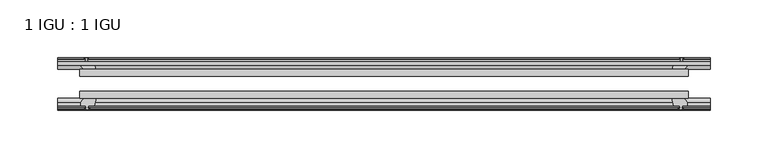
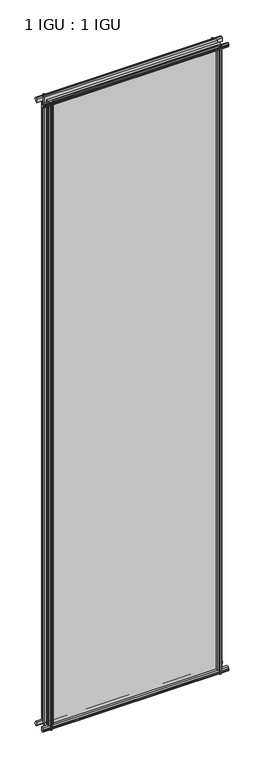
"""IFC4 building model written with IfcOpenShell, lengths in millimetres: plate geometry, 1 IGU : 1 IGU."""

from ifc_helpers import new_model, si_unit, frame, origin, place, context, project, spatial, polyline, outline, extrude, source, transform, mapped, element, save


def plate_1_igu_1_igu_adc11967(model_context):
    return source(origin(), model_context, "Body", "SweptSolid", [
        extrude(outline(polyline([(-263.5317469, -38.6468937), (263.5317469, -38.6468937), (263.5317469, -44.9460938), (-263.5317469, -44.9460938), (-263.5317469, -38.6468937)])), frame((0.0, 0.0, -12.7), z_axis=(0.0, 0.0, 1.0), x_axis=(1.0, 0.0, 0.0)), (0.0, 0.0, 1.0), 2019.2872996),
        extrude(outline(polyline([(-263.5317469, -19.5460937), (263.5317469, -19.5460937), (263.5317469, -25.8960938), (-263.5317469, -25.8960938), (-263.5317469, -19.5460937)])), frame((0.0, 0.0, -12.7), z_axis=(0.0, 0.0, 1.0), x_axis=(1.0, 0.0, 0.0)), (0.0, 0.0, 1.0), 2019.2872996),
        extrude(outline(polyline([(-44.9460937, 1.7177181), (-44.9460937, -9.1036578), (-48.3496937, -11.938), (-51.2960937, -11.938), (-51.2960937, -7.493), (-53.6762907, -7.112), (-53.2163575, -8.5275291), (-54.0175717, -8.5275291), (-54.7250937, -6.35), (-54.0175717, -4.1724709), (-53.2163575, -4.1724709), (-53.6762907, -5.588), (-51.2960937, -5.207), (-51.2960937, 0.0), (-44.9460937, 1.7177181)])), frame((-282.5817469, 0.0, 0.0), z_axis=(1.0, 0.0, 0.0), x_axis=(0.0, 1.0, 0.0)), (0.0, 0.0, 1.0), 565.1634937),
        extrude(outline(polyline([(-13.1960937, -12.4587), (-16.1424937, -12.4587), (-19.5460937, -9.6243578), (-19.5460937, 1.1970181), (-13.1960937, -0.5207), (-13.1960937, -5.7277), (-10.8158968, -6.1087), (-11.27583, -4.6931709), (-10.4746158, -4.6931709), (-9.7670937, -6.8707), (-10.4746158, -9.0482291), (-11.27583, -9.0482291), (-10.8158968, -7.6327), (-13.1960937, -8.0137), (-13.1960937, -12.4587)])), frame((-282.5817469, 0.0, 0.0), z_axis=(1.0, 0.0, 0.0), x_axis=(0.0, 1.0, 0.0)), (0.0, 0.0, 1.0), 565.1634937),
        extrude(outline(polyline([(-51.2960937, 2005.8252996), (-48.3496937, 2005.8252996), (-44.9460937, 2002.9909574), (-44.9460937, 1992.1695815), (-51.2960937, 1993.8872996), (-51.2960937, 1999.0942996), (-53.6762907, 1999.4752996), (-53.2163575, 1998.0597705), (-54.0175717, 1998.0597705), (-54.7250937, 2000.2372996), (-54.0175717, 2002.4148286), (-53.2163575, 2002.4148286), (-53.6762907, 2000.9992996), (-51.2960937, 2001.3802996), (-51.2960937, 2005.8252996)])), frame((-282.5817469, 0.0, 0.0), z_axis=(1.0, 0.0, 0.0), x_axis=(0.0, 1.0, 0.0)), (0.0, 0.0, 1.0), 565.1634937),
        extrude(outline(polyline([(-19.5460937, 1992.6902815), (-19.5460937, 2003.5116574), (-16.1424937, 2006.3459996), (-13.1960937, 2006.3459996), (-13.1960937, 2001.9009996), (-10.8158968, 2001.5199996), (-11.27583, 2002.9355286), (-10.4746158, 2002.9355286), (-9.7670937, 2000.7579996), (-10.4746158, 1998.5804705), (-11.27583, 1998.5804705), (-10.8158968, 1999.9959996), (-13.1960937, 1999.6149996), (-13.1960937, 1994.4079996), (-19.5460937, 1992.6902815)])), frame((-282.5817469, 0.0, 0.0), z_axis=(1.0, 0.0, 0.0), x_axis=(0.0, 1.0, 0.0)), (0.0, 0.0, 1.0), 565.1634937),
        extrude(outline(polyline([(249.6347288, -19.5460938), (251.3524469, -13.1960938), (256.5594469, -13.1960938), (256.9404469, -10.8158968), (255.5249178, -11.27583), (255.5249178, -10.4746158), (257.7024469, -9.7670938), (259.8799759, -10.4746158), (259.8799759, -11.27583), (258.4644469, -10.8158968), (258.8454469, -13.1960938), (263.2904469, -13.1960938), (263.2904469, -16.1424938), (260.4561047, -19.5460938), (249.6347288, -19.5460938)])), frame((0.0, 0.0, -12.7), z_axis=(0.0, 0.0, 1.0), x_axis=(1.0, 0.0, 0.0)), (0.0, 0.0, 1.0), 2019.2872997),
        extrude(outline(polyline([(249.1140288, -44.9460938), (259.9354047, -44.9460938), (262.7697469, -48.3496938), (262.7697469, -51.2960938), (258.3247469, -51.2960938), (257.9437469, -53.6762907), (259.3592759, -53.2163575), (259.3592759, -54.0175717), (257.1817469, -54.7250938), (255.0042178, -54.0175717), (255.0042178, -53.2163575), (256.4197469, -53.6762907), (256.0387469, -51.2960938), (250.8317469, -51.2960938), (249.1140288, -44.9460938)])), frame((0.0, 0.0, -12.7), z_axis=(0.0, 0.0, 1.0), x_axis=(1.0, 0.0, 0.0)), (0.0, 0.0, 1.0), 2019.2872997),
        extrude(outline(polyline([(-257.7024469, -9.7670937), (-255.5249178, -10.4746158), (-255.5249178, -11.27583), (-256.9404469, -10.8158968), (-256.5594469, -13.1960937), (-251.3524469, -13.1960937), (-249.6347288, -19.5460937), (-260.4561047, -19.5460937), (-263.2904469, -16.1424937), (-263.2904469, -13.1960937), (-258.8454469, -13.1960937), (-258.4644469, -10.8158968), (-259.8799759, -11.27583), (-259.8799759, -10.4746158), (-257.7024469, -9.7670937)])), frame((0.0, 0.0, -12.7), z_axis=(0.0, 0.0, 1.0), x_axis=(1.0, 0.0, 0.0)), (0.0, 0.0, 1.0), 2019.2872997),
        extrude(outline(polyline([(-262.7697469, -48.3496937), (-259.9354047, -44.9460937), (-249.1140288, -44.9460937), (-250.8317469, -51.2960937), (-256.0387469, -51.2960937), (-256.4197469, -53.6762907), (-255.0042178, -53.2163575), (-255.0042178, -54.0175717), (-257.1817469, -54.7250937), (-259.3592759, -54.0175717), (-259.3592759, -53.2163575), (-257.9437469, -53.6762907), (-258.3247469, -51.2960937), (-262.7697469, -51.2960937), (-262.7697469, -48.3496937)])), frame((0.0, 0.0, -12.7), z_axis=(0.0, 0.0, 1.0), x_axis=(1.0, 0.0, 0.0)), (0.0, 0.0, 1.0), 2019.2872997),
    ])


if __name__ == "__main__":
    model = new_model("IFC4")
    model_context = context("Model", 3, world=origin())
    ifc_project = project(units=[si_unit("LENGTHUNIT", "METRE", prefix="MILLI")], contexts=[model_context])
    site = spatial("IfcSite", under=ifc_project)
    building = spatial("IfcBuilding", under=site)
    placement = place(None, origin())
    plate_1_igu_1_igu_shape = plate_1_igu_1_igu_adc11967(model_context)
    element("IfcPlate", 1, ObjectType="1 IGU : 1 IGU", at=placement, inside=building, context=model_context, shape_type="MappedRepresentation", body=[
        mapped(plate_1_igu_1_igu_shape, transform((0.0, 0.0, 0.0), x_axis=(1.0, 0.0, 0.0), y_axis=(0.0, 1.0, 0.0), z_axis=(0.0, 0.0, 1.0))),
    ])
    save(model, "model.ifc")
